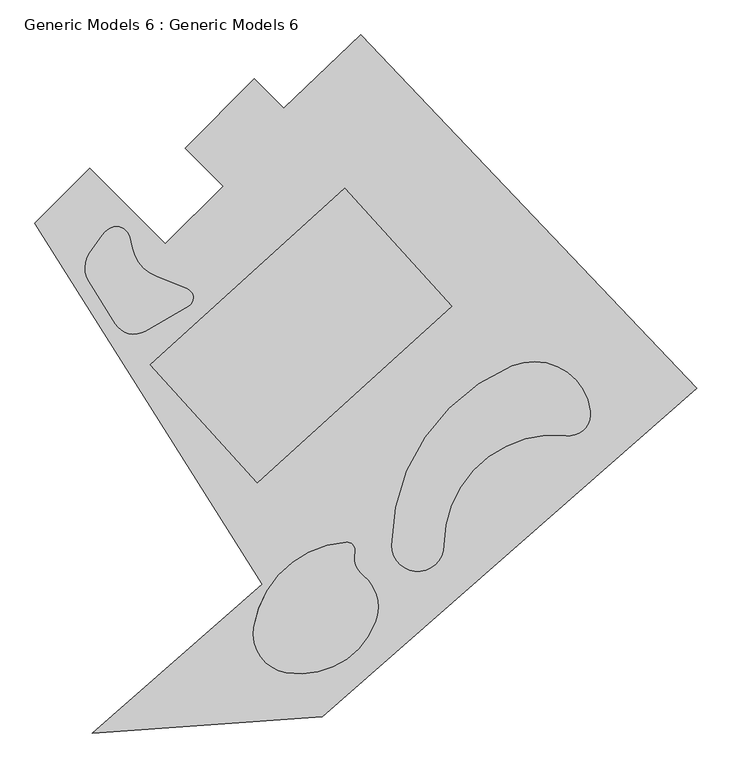
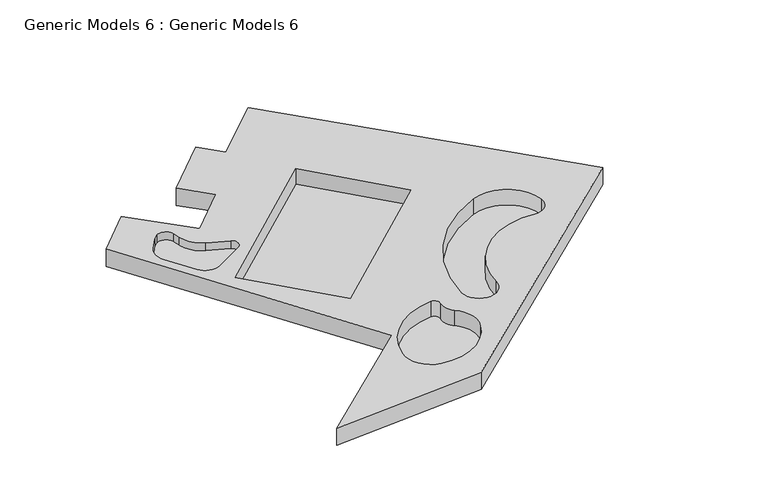
"""IFC4 building model written with IfcOpenShell, lengths in millimetres: proxy geometry, Generic Models 6 : Generic Models 6."""

from ifc_helpers import new_model, si_unit, frame, origin, place, context, project, spatial, polyline, circle_curve, source, transform, mapped, element, save
from ifc_brep_helpers import plane_surface, cylinder_surface, revolved_surface, advanced_brep


def generic_models_6_generic_models_6_8f0122c3(model_context):
    return source(origin(), model_context, "Body", "AdvancedBrep", [
        advanced_brep(
        [(-198800.4783942, 8881.4596098, 10680.0), (-200922.4482957, 11003.4295112, 10680.0), (-205942.9064421, 5982.9713648, 10680.0), (-203185.1899955, 3225.2549182, 10680.0), (-207392.4753435, -982.0304299, 10680.0), (-212881.2024081, 4506.6966347, 10680.0), (-216867.4082778, 520.4907651, 10680.0), (-200352.5743977, -25677.9012461, 10680.0), (-212699.0844869, -36500.164397, 10680.0), (-196004.0850989, -35297.0929553, 10680.0), (-168802.5632985, -11453.7538331, 10680.0), (-193214.7220231, 14197.4118322, 10680.0), (-182191.1600522, -9841.7482813, 10680.0), (-176535.1537948, -13115.4047032, 10680.0), (-178297.4951271, -14908.8348562, 10680.0), (-187170.4886367, -22857.6381704, 10680.0), (-190970.4886367, -22857.6381704, 10680.0), (-192144.6621919, -28459.83553, 10680.0), (-198602.041356, -32119.1351402, 10680.0), (-200975.2426775, -28812.0728927, 10680.0), (-194272.3144096, -22636.8938039, 10680.0), (-193643.6666435, -23370.5538965, 10680.0), (-193065.9882453, -25036.3730388, 10680.0), (-208501.9021646, -9738.4131797, 10680.0), (-194370.6314551, 3076.7435483, 10680.0), (-186595.6155375, -5496.7649179, 10680.0), (-200726.8862469, -18311.9216459, 10680.0), (-212935.9525661, -3741.755634, 10680.0), (-212885.0400812, -1638.756423, 10680.0), (-211980.5105108, -346.9543201, 10680.0), (-211479.8061933, 125.2377103, 10680.0), (-209979.8748508, -505.2640402, 10680.0), (-209801.4840624, -1293.1227412, 10680.0), (-208059.4405594, -3341.5352786, 10680.0), (-205811.5001982, -4249.7621386, 10680.0), (-205723.7248136, -5505.0086195, 10680.0), (-208863.7433983, -7317.8991946, 10680.0), (-211017.2603406, -6785.4829543, 10680.0), (-198800.4783942, 8881.4596098, 8680.0), (-193214.7220231, 14197.4118322, 8680.0), (-168802.5632985, -11453.7538331, 8680.0), (-196004.0850989, -35297.0929553, 8680.0), (-212699.0844869, -36500.164397, 8680.0), (-200352.5743977, -25677.9012461, 8680.0), (-216867.4082778, 520.4907651, 8680.0), (-212881.2024081, 4506.6966347, 8680.0), (-207392.4753435, -982.0304299, 8680.0), (-203185.1899955, 3225.2549182, 8680.0), (-205942.9064421, 5982.9713648, 8680.0), (-200922.4482957, 11003.4295112, 8680.0), (-182191.1600522, -9841.7482813, 8880.0), (-190970.4886367, -22857.6381704, 8880.0), (-187170.4886367, -22857.6381704, 8880.0), (-178297.4951271, -14908.8348562, 8880.0), (-176535.1537948, -13115.4047032, 8880.0), (-192144.6621919, -28459.83553, 8880.0), (-193065.9882453, -25036.3730388, 8880.0), (-193643.6666435, -23370.5538965, 8880.0), (-194272.3144096, -22636.8938039, 8880.0), (-200975.2426775, -28812.0728927, 8880.0), (-198602.041356, -32119.1351402, 8880.0), (-208501.9021646, -9738.4131797, 8880.0), (-200726.8862469, -18311.9216459, 8880.0), (-186595.6155375, -5496.7649179, 8880.0), (-194370.6314551, 3076.7435483, 8880.0), (-212935.9525661, -3741.755634, 9761.5761482), (-212885.0400812, -1638.756423, 9761.5761482), (-211017.2603406, -6785.4829543, 9761.5761482), (-208863.7433983, -7317.8991946, 9761.5761482), (-205723.7248136, -5505.0086195, 9761.5761482), (-205811.5001982, -4249.7621386, 9761.5761482), (-208059.4405594, -3341.5352786, 9761.5761482), (-209801.4840624, -1293.1227412, 9761.5761482), (-209979.8748508, -505.2640402, 9761.5761482), (-211479.8061933, 125.2377103, 9761.5761482), (-211980.5105108, -346.9543201, 9761.5761482)],
        [
            (0, 1),
            (1, 2),
            (2, 3),
            (3, 4),
            (4, 5),
            (5, 6),
            (6, 7),
            (7, 8),
            (8, 9),
            (9, 10),
            (10, 11),
            (11, 0),
            (12, 13, circle_curve(frame((-180612.487961, -13637.0877271, 10680.0), z_axis=(0.0, 0.0, -1.0), x_axis=(1.0, 0.0, 0.0)), 4110.5725977)),
            (13, 14, circle_curve(frame((-178122.2160619, -13318.4646951, 10680.0), z_axis=(0.0, 0.0, -1.0), x_axis=(1.0, 0.0, 0.0)), 1600.0)),
            (14, 15, circle_curve(frame((-179173.5545808, -22857.6381704, 10680.0), z_axis=(0.0, 0.0, 1.0), x_axis=(1.0, 0.0, 0.0)), 7996.9340559)),
            (15, 16, circle_curve(frame((-189070.4886367, -22857.6381704, 10680.0), z_axis=(0.0, 0.0, -1.0), x_axis=(1.0, 0.0, 0.0)), 1900.0)),
            (16, 12, circle_curve(frame((-176716.6742133, -23003.1465007, 10680.0), z_axis=(0.0, 0.0, -1.0), x_axis=(1.0, 0.0, 0.0)), 14254.5571061)),
            (17, 18, circle_curve(frame((-197608.4528133, -26345.3166639, 10680.0), z_axis=(0.0, 0.0, -1.0), x_axis=(1.0, 0.0, 0.0)), 5858.6856879)),
            (18, 19, circle_curve(frame((-198110.2234079, -29261.1436941, 10680.0), z_axis=(0.0, 0.0, -1.0), x_axis=(1.0, 0.0, 0.0)), 2900.0)),
            (19, 20, circle_curve(frame((-193733.5792668, -29947.1506305, 10680.0), z_axis=(0.0, 0.0, -1.0), x_axis=(1.0, 0.0, 0.0)), 7330.0812018)),
            (20, 21, circle_curve(frame((-194228.2165235, -23235.27109, 10680.0), z_axis=(0.0, 0.0, -1.0), x_axis=(1.0, 0.0, 0.0)), 600.0)),
            (21, 22, circle_curve(frame((-192029.9491964, -23744.0177063, 10680.0), z_axis=(0.0, 0.0, 1.0), x_axis=(1.0, 0.0, 0.0)), 1656.3692873)),
            (22, 17, circle_curve(frame((-194942.4521293, -27377.0744917, 10680.0), z_axis=(0.0, 0.0, -1.0), x_axis=(1.0, 0.0, 0.0)), 3000.0)),
            (23, 24),
            (24, 25),
            (25, 26),
            (26, 23),
            (27, 28, circle_curve(frame((-211328.651197, -2728.5516521, 10680.0), z_axis=(0.0, 0.0, -1.0), x_axis=(1.0, 0.0, 0.0)), 1900.0)),
            (28, 29),
            (29, 30, circle_curve(frame((-210587.9520355, -1322.0342619, 10680.0), z_axis=(0.0, 0.0, -1.0), x_axis=(1.0, 0.0, 0.0)), 1700.0)),
            (30, 31, circle_curve(frame((-210955.1861004, -726.0987439, 10680.0), z_axis=(0.0, 0.0, -1.0), x_axis=(1.0, 0.0, 0.0)), 1000.0)),
            (31, 32),
            (32, 33, circle_curve(frame((-206973.0814385, -652.7021004, 10680.0), z_axis=(0.0, 0.0, 1.0), x_axis=(1.0, 0.0, 0.0)), 2900.0)),
            (33, 34),
            (34, 35, circle_curve(frame((-206073.7248136, -4898.7908368, 10680.0), z_axis=(0.0, 0.0, -1.0), x_axis=(1.0, 0.0, 0.0)), 700.0)),
            (35, 36),
            (36, 37, circle_curve(frame((-209663.7433983, -5932.2585485, 10680.0), z_axis=(0.0, 0.0, -1.0), x_axis=(1.0, 0.0, 0.0)), 1600.0)),
            (37, 27),
            (38, 39),
            (39, 40),
            (40, 41),
            (41, 42),
            (42, 43),
            (43, 44),
            (44, 45),
            (45, 46),
            (46, 47),
            (47, 48),
            (48, 49),
            (49, 38),
            (0, 38),
            (49, 1),
            (3, 47),
            (46, 4),
            (45, 5),
            (44, 6),
            (43, 7),
            (42, 8),
            (41, 9),
            (40, 10),
            (39, 11),
            (50, 51, circle_curve(frame((-176716.6742133, -23003.1465007, 8880.0), z_axis=(0.0, 0.0, 1.0), x_axis=(1.0, 0.0, 0.0)), 14254.5571061)),
            (51, 52, circle_curve(frame((-189070.4886367, -22857.6381704, 8880.0), z_axis=(0.0, 0.0, 1.0), x_axis=(1.0, 0.0, 0.0)), 1900.0)),
            (52, 53, circle_curve(frame((-179173.5545808, -22857.6381704, 8880.0), z_axis=(0.0, 0.0, -1.0), x_axis=(1.0, 0.0, 0.0)), 7996.9340559)),
            (53, 54, circle_curve(frame((-178122.2160619, -13318.4646951, 8880.0), z_axis=(0.0, 0.0, 1.0), x_axis=(1.0, 0.0, 0.0)), 1600.0)),
            (54, 50, circle_curve(frame((-180612.487961, -13637.0877271, 8880.0), z_axis=(0.0, 0.0, 1.0), x_axis=(1.0, 0.0, 0.0)), 4110.5725977)),
            (55, 56, circle_curve(frame((-194942.4521293, -27377.0744917, 8880.0), z_axis=(0.0, 0.0, 1.0), x_axis=(1.0, 0.0, 0.0)), 3000.0)),
            (56, 57, circle_curve(frame((-192029.9491964, -23744.0177063, 8880.0), z_axis=(0.0, 0.0, -1.0), x_axis=(1.0, 0.0, 0.0)), 1656.3692873)),
            (57, 58, circle_curve(frame((-194228.2165235, -23235.27109, 8880.0), z_axis=(0.0, 0.0, 1.0), x_axis=(1.0, 0.0, 0.0)), 600.0)),
            (58, 59, circle_curve(frame((-193733.5792668, -29947.1506305, 8880.0), z_axis=(0.0, 0.0, 1.0), x_axis=(1.0, 0.0, 0.0)), 7330.0812018)),
            (59, 60, circle_curve(frame((-198110.2234079, -29261.1436941, 8880.0), z_axis=(0.0, 0.0, 1.0), x_axis=(1.0, 0.0, 0.0)), 2900.0)),
            (60, 55, circle_curve(frame((-197608.4528133, -26345.3166639, 8880.0), z_axis=(0.0, 0.0, 1.0), x_axis=(1.0, 0.0, 0.0)), 5858.6856879)),
            (54, 13),
            (12, 50),
            (53, 14),
            (52, 15),
            (51, 16),
            (60, 18),
            (17, 55),
            (59, 19),
            (58, 20),
            (57, 21),
            (56, 22),
            (61, 62),
            (62, 63),
            (63, 64),
            (64, 61),
            (64, 24),
            (23, 61),
            (63, 25),
            (62, 26),
            (65, 66, circle_curve(frame((-211328.651197, -2728.5516521, 9761.5761482), z_axis=(0.0, 0.0, -1.0), x_axis=(1.0, 0.0, 0.0)), 1900.0)),
            (66, 28),
            (27, 65),
            (67, 65),
            (37, 67),
            (68, 67, circle_curve(frame((-209663.7433983, -5932.2585485, 9761.5761482), z_axis=(0.0, 0.0, -1.0), x_axis=(1.0, 0.0, 0.0)), 1600.0)),
            (36, 68),
            (69, 68),
            (35, 69),
            (70, 69, circle_curve(frame((-206073.7248136, -4898.7908368, 9761.5761482), z_axis=(0.0, 0.0, -1.0), x_axis=(1.0, 0.0, 0.0)), 700.0)),
            (34, 70),
            (71, 70),
            (33, 71),
            (72, 71, circle_curve(frame((-206973.0814385, -652.7021004, 9761.5761482), z_axis=(0.0, 0.0, 1.0), x_axis=(1.0, 0.0, 0.0)), 2900.0)),
            (32, 72),
            (73, 72),
            (31, 73),
            (74, 73, circle_curve(frame((-210955.1861004, -726.0987439, 9761.5761482), z_axis=(0.0, 0.0, -1.0), x_axis=(1.0, 0.0, 0.0)), 1000.0)),
            (30, 74),
            (75, 74, circle_curve(frame((-210587.9520355, -1322.0342619, 9761.5761482), z_axis=(0.0, 0.0, -1.0), x_axis=(1.0, 0.0, 0.0)), 1700.0)),
            (29, 75),
            (66, 75),
            (48, 2),
        ],
        [
            plane_surface(frame((-198164.731849, 8245.7130646, 10680.0), z_axis=(0.0, 0.0, 1.0000000000000002), x_axis=(-0.7071067811865444, 0.7071067811865508, 0.0))),
            plane_surface(frame((-198164.731849, 8245.7130646, 8680.0), z_axis=(0.0, 0.0, -1.0000000000000002), x_axis=(0.7071067811865444, -0.7071067811865508, 0.0))),
            plane_surface(frame((-198800.4783942, 8881.4596098, 10680.0), z_axis=(0.7071067811865508, 0.7071067811865444, 0.0), x_axis=(0.0, 0.0, -1.0))),
            plane_surface(frame((-203185.1899955, 3225.2549182, 10680.0), z_axis=(-0.7071067811865476, 0.7071067811865475, 0.0), x_axis=(0.0, 0.0, -1.0))),
            plane_surface(frame((-207392.4753435, -982.0304299, 10680.0), z_axis=(0.7071067811865469, 0.7071067811865481, 0.0), x_axis=(0.0, 0.0, -1.0))),
            plane_surface(frame((-212881.2024081, 4506.6966347, 10680.0), z_axis=(-0.707106781186546, 0.7071067811865491, 0.0), x_axis=(0.0, 0.0, -1.0))),
            plane_surface(frame((-216867.4082778, 520.4907651, 10680.0), z_axis=(-0.8459480889866496, -0.5332652536400957, 0.0), x_axis=(0.0, 0.0, -1.0))),
            plane_surface(frame((-200352.5743977, -25677.9012461, 10680.0), z_axis=(-0.6591620959863518, 0.7520008851157555, 0.0), x_axis=(0.0, 0.0, -1.0))),
            plane_surface(frame((-212699.0844869, -36500.164397, 10680.0), z_axis=(0.07187540484572517, -0.9974136184042522, 0.0), x_axis=(0.0, 0.0, -1.0))),
            plane_surface(frame((-196004.0850989, -35297.0929553, 10680.0), z_axis=(0.6591620959863527, -0.7520008851157546, 0.0), x_axis=(0.0, 0.0, -1.0))),
            plane_surface(frame((-168802.5632985, -11453.7538331, 10680.0), z_axis=(0.7243850118135703, 0.6893956445031065, 0.0), x_axis=(0.0, 0.0, -1.0))),
            plane_surface(frame((-193214.7220231, 14197.4118322, 10680.0), z_axis=(-0.6893956445031125, 0.7243850118135647, 0.0), x_axis=(0.0, 0.0, -1.0))),
            plane_surface(frame((-176501.9153633, -13637.0877271, 8880.0), z_axis=(0.0, 0.0, 1.0), x_axis=(0.0, -1.0, 0.0))),
            revolved_surface(polyline([(-176501.9153633, -13637.0877271, 8880.0), (-176501.9153633, -13637.0877271, 10680.0)]), (-180612.487961, -13637.0877271, 10680.0), (0.0, 0.0, -1.0)),
            revolved_surface(polyline([(-176522.2160619, -13318.4646951, 8880.0), (-176522.2160619, -13318.4646951, 10680.0)]), (-178122.2160619, -13318.4646951, 10680.0), (0.0, 0.0, -1.0)),
            cylinder_surface(frame((-179173.5545808, -22857.6381704, 10680.0), z_axis=(0.0, 0.0, 1.0), x_axis=(1.0, 0.0, 0.0)), 7996.9340559),
            revolved_surface(polyline([(-187170.4886367, -22857.6381704, 8880.0), (-187170.4886367, -22857.6381704, 10680.0)]), (-189070.4886367, -22857.6381704, 10680.0), (0.0, 0.0, -1.0)),
            revolved_surface(polyline([(-162462.1171072, -23003.1465007, 8880.0), (-162462.1171072, -23003.1465007, 10680.0)]), (-176716.6742133, -23003.1465007, 10680.0), (0.0, 0.0, -1.0)),
            revolved_surface(polyline([(-191749.76712540002, -26345.3166639, 8880.0), (-191749.76712540002, -26345.3166639, 10680.0)]), (-197608.4528133, -26345.3166639, 10680.0), (0.0, 0.0, -1.0)),
            revolved_surface(polyline([(-195210.2234079, -29261.1436941, 8880.0), (-195210.2234079, -29261.1436941, 10680.0)]), (-198110.2234079, -29261.1436941, 10680.0), (0.0, 0.0, -1.0)),
            revolved_surface(polyline([(-186403.498065, -29947.1506305, 8880.0), (-186403.498065, -29947.1506305, 10680.0)]), (-193733.5792668, -29947.1506305, 10680.0), (0.0, 0.0, -1.0)),
            revolved_surface(polyline([(-193628.2165235, -23235.27109, 8880.0), (-193628.2165235, -23235.27109, 10680.0)]), (-194228.2165235, -23235.27109, 10680.0), (0.0, 0.0, -1.0)),
            cylinder_surface(frame((-192029.9491964, -23744.0177063, 10680.0), z_axis=(0.0, 0.0, 1.0), x_axis=(1.0, 0.0, 0.0)), 1656.3692873),
            revolved_surface(polyline([(-191942.4521293, -27377.0744917, 8880.0), (-191942.4521293, -27377.0744917, 10680.0)]), (-194942.4521293, -27377.0744917, 10680.0), (0.0, 0.0, -1.0)),
            plane_surface(frame((-194370.6314551, 3076.7435483, 8880.0), z_axis=(0.0, 0.0, 1.0000000000000002), x_axis=(0.7407601746918202, 0.6717695762614917, 0.0))),
            plane_surface(frame((-208501.9021646, -9738.4131797, 8880.0), z_axis=(0.6717695762614917, -0.7407601746918202, 0.0), x_axis=(0.0, 0.0, 1.0))),
            plane_surface(frame((-194370.6314551, 3076.7435483, 8880.0), z_axis=(-0.7407601746918208, -0.6717695762614911, 0.0), x_axis=(0.0, 0.0, 1.0))),
            plane_surface(frame((-186595.6155375, -5496.7649179, 8880.0), z_axis=(-0.6717695762614906, 0.7407601746918212, 0.0), x_axis=(0.0, 0.0, 1.0))),
            plane_surface(frame((-200726.8862469, -18311.9216459, 8880.0), z_axis=(0.740760174691822, 0.6717695762614898, 0.0), x_axis=(0.0, 0.0, 1.0))),
            revolved_surface(polyline([(-209428.651197, -2728.5516521, 10680.0), (-209428.651197, -2728.5516521, 9761.5761482)]), (-211328.651197, -2728.5516521, 9761.5761482), (0.0, 0.0, 1.0)),
            plane_surface(frame((-212935.9525661, -3741.755634, 11491.5981015), z_axis=(0.8459480889866512, 0.5332652536400934, 0.0), x_axis=(0.0, 0.0, -1.0))),
            revolved_surface(polyline([(-208063.7433983, -5932.2585485, 10680.0), (-208063.7433983, -5932.2585485, 9761.5761482)]), (-209663.7433983, -5932.2585485, 9761.5761482), (0.0, 0.0, 1.0)),
            plane_surface(frame((-208863.7433983, -7317.8991946, 11491.5981015), z_axis=(-0.49999999999999795, 0.8660254037844399, 0.0), x_axis=(0.0, 0.0, -1.0))),
            revolved_surface(polyline([(-205373.7248136, -4898.7908368, 10680.0), (-205373.7248136, -4898.7908368, 9761.5761482)]), (-206073.7248136, -4898.7908368, 9761.5761482), (0.0, 0.0, 1.0)),
            plane_surface(frame((-205811.5001982, -4249.7621386, 11491.5981015), z_axis=(-0.3746065934159147, -0.9271838545667864, 0.0), x_axis=(0.0, 0.0, -1.0))),
            cylinder_surface(frame((-206973.0814385, -652.7021004, 9761.5761482), z_axis=(0.0, 0.0, -1.0), x_axis=(1.0, 0.0, 0.0)), 2900.0),
            plane_surface(frame((-209801.4840624, -1293.1227412, 11491.5981015), z_axis=(-0.9753112496176957, -0.22083470372468417, 0.0), x_axis=(0.0, 0.0, -1.0))),
            revolved_surface(polyline([(-209955.1861004, -726.0987439, 10680.0), (-209955.1861004, -726.0987439, 9761.5761482)]), (-210955.1861004, -726.0987439, 9761.5761482), (0.0, 0.0, 1.0)),
            revolved_surface(polyline([(-208887.9520355, -1322.0342619, 10680.0), (-208887.9520355, -1322.0342619, 9761.5761482)]), (-210587.9520355, -1322.0342619, 9761.5761482), (0.0, 0.0, 1.0)),
            plane_surface(frame((-211980.5105108, -346.9543201, 11491.5981015), z_axis=(0.819152044288992, -0.5735764363510459, 0.0), x_axis=(0.0, 0.0, -1.0))),
            plane_surface(frame((-209428.651197, -2728.5516521, 9761.5761482), z_axis=(0.0, 0.0, 1.0), x_axis=(0.0, -1.0, 0.0))),
            plane_surface(frame((-200922.4482957, 11003.4295112, 10680.0), z_axis=(-0.7071067811865483, 0.7071067811865467, 0.0), x_axis=(0.0, 0.0, -1.0))),
            plane_surface(frame((-205942.9064421, 5982.9713648, 10680.0), z_axis=(-0.7071067811865506, -0.7071067811865446, 0.0), x_axis=(0.0, 0.0, -1.0))),
        ],
        [
            (0, [[1, 2, 3, 4, 5, 6, 7, 8, 9, 10, 11, 12], [13, 14, 15, 16, 17], [18, 19, 20, 21, 22, 23], [24, 25, 26, 27], [28, 29, 30, 31, 32, 33, 34, 35, 36, 37, 38]]),
            (1, [[39, 40, 41, 42, 43, 44, 45, 46, 47, 48, 49, 50]]),
            (2, [[-1, 51, -50, 52]]),
            (3, [[-4, 53, -47, 54]]),
            (4, [[-5, -54, -46, 55]]),
            (5, [[-6, -55, -45, 56]]),
            (6, [[-7, -56, -44, 57]]),
            (7, [[-8, -57, -43, 58]]),
            (8, [[-9, -58, -42, 59]]),
            (9, [[-10, -59, -41, 60]]),
            (10, [[-11, -60, -40, 61]]),
            (11, [[-12, -61, -39, -51]]),
            (12, [[62, 63, 64, 65, 66]]),
            (12, [[67, 68, 69, 70, 71, 72]]),
            (13, [[-66, 73, -13, 74]]),
            (14, [[-65, 75, -14, -73]]),
            (15, [[-64, 76, -15, -75]]),
            (16, [[-63, 77, -16, -76]]),
            (17, [[-62, -74, -17, -77]]),
            (18, [[-72, 78, -18, 79]]),
            (19, [[-71, 80, -19, -78]]),
            (20, [[-70, 81, -20, -80]]),
            (21, [[-69, 82, -21, -81]]),
            (22, [[-68, 83, -22, -82]]),
            (23, [[-67, -79, -23, -83]]),
            (24, [[84, 85, 86, 87]]),
            (25, [[-87, 88, -24, 89]]),
            (26, [[-86, 90, -25, -88]]),
            (27, [[-85, 91, -26, -90]]),
            (28, [[-84, -89, -27, -91]]),
            (29, [[92, 93, -28, 94]]),
            (30, [[95, -94, -38, 96]]),
            (31, [[97, -96, -37, 98]]),
            (32, [[99, -98, -36, 100]]),
            (33, [[101, -100, -35, 102]]),
            (34, [[103, -102, -34, 104]]),
            (35, [[105, -104, -33, 106]]),
            (36, [[107, -106, -32, 108]]),
            (37, [[109, -108, -31, 110]]),
            (38, [[111, -110, -30, 112]]),
            (39, [[113, -112, -29, -93]]),
            (40, [[-92, -95, -97, -99, -101, -103, -105, -107, -109, -111, -113]]),
            (41, [[-2, -52, -49, 114]]),
            (42, [[-3, -114, -48, -53]]),
        ],
    ),
    ])


if __name__ == "__main__":
    model = new_model("IFC4")
    model_context = context("Model", 3, world=origin())
    ifc_project = project(units=[si_unit("LENGTHUNIT", "METRE", prefix="MILLI")], contexts=[model_context])
    site = spatial("IfcSite", under=ifc_project)
    building = spatial("IfcBuilding", under=site)
    placement = place(None, origin())
    generic_models_6_generic_models_6_shape = generic_models_6_generic_models_6_8f0122c3(model_context)
    element("IfcBuildingElementProxy", 1, Name="Generic Models 6 : Generic Models 6", ObjectType="Generic Models 6 : Generic Models 6", at=placement, inside=building, context=model_context, shape_type="MappedRepresentation", body=[
        mapped(generic_models_6_generic_models_6_shape, transform((0.0, 0.0, 0.0), x_axis=(1.0, 0.0, 0.0), y_axis=(0.0, 1.0, 0.0), z_axis=(0.0, 0.0, 1.0))),
    ])
    save(model, "model.ifc")
